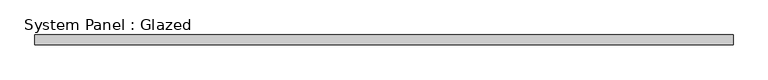
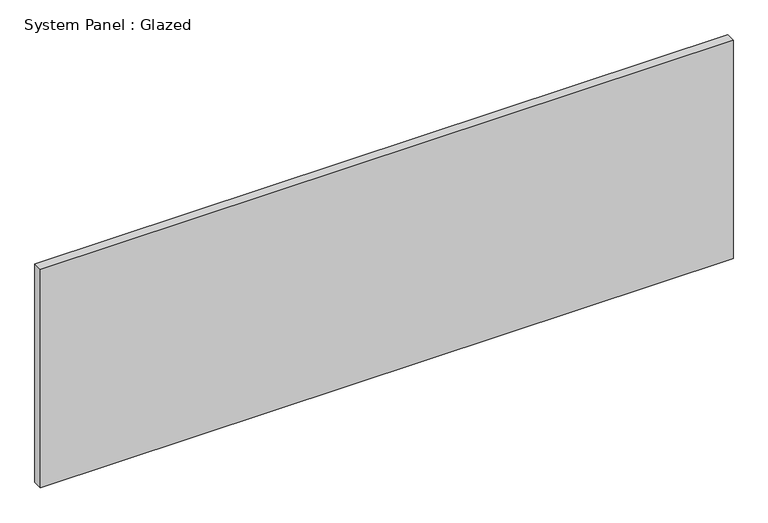
"""IFC4 building model written with IfcOpenShell, lengths in millimetres: plate geometry, System Panel : Glazed."""

from ifc_helpers import new_model, si_unit, origin, origin_with_axes, place, context, project, spatial, polyline, outline, extrude, source, transform, mapped, element, save


def system_panel_glazed_63189bcd(model_context):
    return source(origin(), model_context, "Body", "SweptSolid", [
        extrude(outline(polyline([(914.4, 19.05), (-914.4, 19.05), (-914.4, 44.45), (914.4, 44.45), (914.4, 19.05)])), origin_with_axes(), (0.0, 0.0, 1.0), 609.6),
    ])


if __name__ == "__main__":
    model = new_model("IFC4")
    model_context = context("Model", 3, world=origin())
    ifc_project = project(units=[si_unit("LENGTHUNIT", "METRE", prefix="MILLI")], contexts=[model_context])
    site = spatial("IfcSite", under=ifc_project)
    building = spatial("IfcBuilding", under=site)
    placement = place(None, origin())
    system_panel_glazed_shape = system_panel_glazed_63189bcd(model_context)
    element("IfcPlate", 1, ObjectType="System Panel : Glazed", at=placement, inside=building, context=model_context, shape_type="MappedRepresentation", body=[
        mapped(system_panel_glazed_shape, transform((0.0, 0.0, 0.0), x_axis=(1.0, 0.0, 0.0), y_axis=(0.0, 1.0, 0.0), z_axis=(0.0, 0.0, 1.0))),
    ])
    save(model, "model.ifc")
